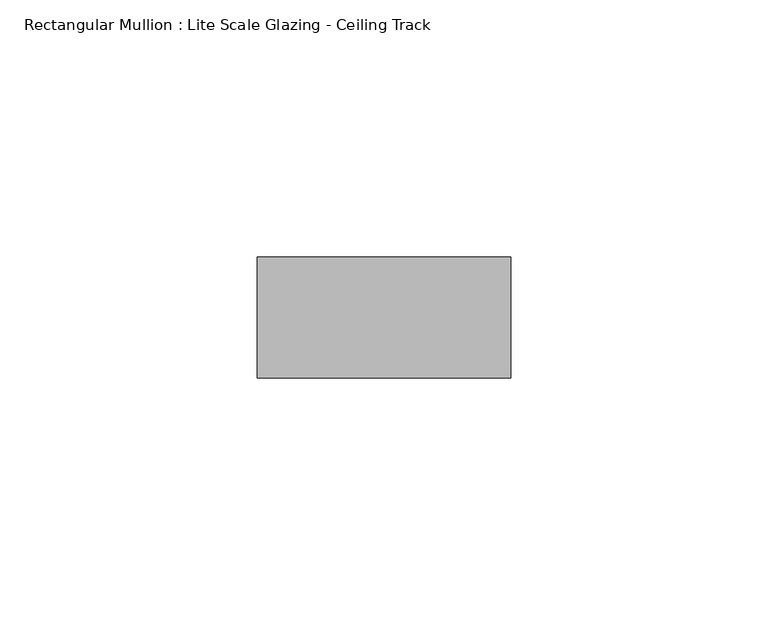
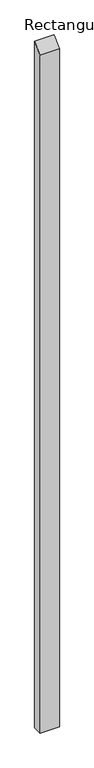
"""IFC4 building model written with IfcOpenShell, lengths in millimetres: member geometry, Rectangular Mullion : Lite Scale Glazing - Ceiling Track."""

from ifc_helpers import new_model, si_unit, frame, origin, place, context, project, spatial, polyline, outline, extrude, source, transform, mapped, element, save


def rectangular_mullion_lite_scale_glazing_ceiling_track_d352ac9f(model_context):
    return source(origin(), model_context, "Body", "SweptSolid", [
        extrude(outline(polyline([(-11.7474999, -11.7474999), (11.7474999, 11.7474999), (11.7474999, -1841.5), (-11.7474999, -1841.5), (-11.7474999, -11.7474999)])), frame((-49.276, 0.0, 0.0), z_axis=(1.0, 0.0, 0.0), x_axis=(0.0, 1.0, 0.0)), (0.0, 0.0, 1.0), 49.276),
    ])


if __name__ == "__main__":
    model = new_model("IFC4")
    model_context = context("Model", 3, world=origin())
    ifc_project = project(units=[si_unit("LENGTHUNIT", "METRE", prefix="MILLI")], contexts=[model_context])
    site = spatial("IfcSite", under=ifc_project)
    building = spatial("IfcBuilding", under=site)
    placement = place(None, origin())
    rectangular_mullion_lite_scale_glazing_ceiling_track_shape = rectangular_mullion_lite_scale_glazing_ceiling_track_d352ac9f(model_context)
    element("IfcMember", 1, ObjectType="Rectangular Mullion : Lite Scale Glazing - Ceiling Track", at=placement, inside=building, context=model_context, shape_type="MappedRepresentation", body=[
        mapped(rectangular_mullion_lite_scale_glazing_ceiling_track_shape, transform((0.0, 0.0, 0.0), x_axis=(1.0, 0.0, 0.0), y_axis=(0.0, 1.0, 0.0), z_axis=(0.0, 0.0, 1.0))),
    ])
    save(model, "model.ifc")
